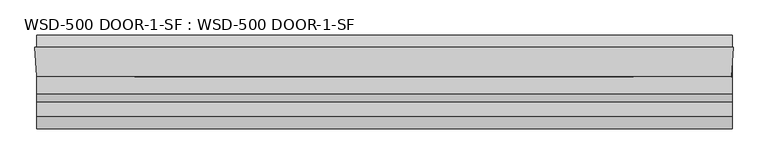
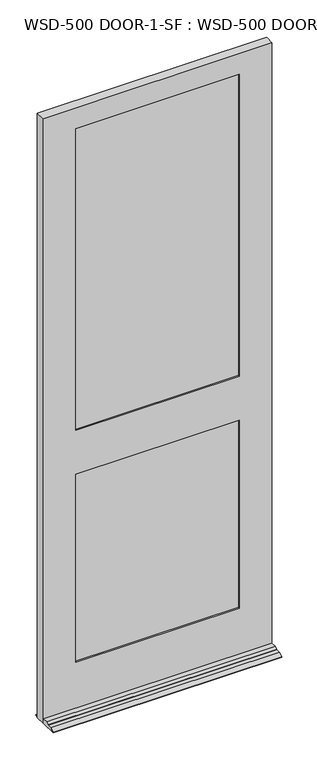
"""IFC4 building model written with IfcOpenShell, lengths in millimetres: plate geometry, WSD-500 DOOR-1-SF : WSD-500 DOOR-1-SF."""

from ifc_helpers import new_model, si_unit, frame, origin, place, context, project, spatial, polyline, outline, extrude, faceted_brep, source, transform, mapped, element, save


def wsd_500_door_1_sf_wsd_500_door_1_sf_6e8bb1aa(model_context):
    return source(origin(), model_context, "Body", "SolidModel", [
        faceted_brep([(528.7563901, 1.8752528, 0.0), (530.1603327, 1.8752528, 0.0), (528.7563901, -20.6651106, 0.0), (528.7563901, -121.9497472, 0.0), (-533.8064, -121.9497472, 0.0), (-533.8064, -42.5747472, 0.0), (-536.575, 1.8752528, 0.0), (-533.8064, 1.8752528, 0.0), (-533.8064, 20.9252528, 0.0), (528.7563901, 20.9252528, 0.0), (528.7563901, -35.1325472, 226.2251), (528.7563901, -35.1325472, 246.0625), (528.7563901, -42.5747472, 246.0625), (528.7563901, -42.5747472, 21.4376), (528.7563901, -68.4446472, 21.4376), (528.7563901, -80.8652472, 14.2748), (528.7563901, -80.8652472, 12.7), (528.7563901, -102.8997472, 12.7), (528.7563901, -121.9497472, 3.175), (528.7563901, -20.6651106, 226.2251), (528.7563901, 20.9252528, 3.175), (528.7563901, 1.8752528, 12.7), (-533.8064, 1.8752528, 12.7), (-533.8064, 20.9252528, 3.175), (-533.8064, -121.9497472, 3.175), (-533.8064, -102.8997472, 12.7), (-533.8064, -80.8652472, 12.7), (-533.8064, -80.8652472, 14.2748), (-533.8064, -68.4446472, 21.4376), (-533.8064, -42.5747472, 21.4376), (530.1603327, 1.8752528, 2971.7168046), (-536.575, 1.8752528, 2971.7168046), (-384.175, 1.8752528, 1169.9748), (-384.175, 1.8752528, 246.0625), (377.7603327, 1.8752528, 246.0625), (377.7603327, 1.8752528, 1169.9748), (377.7603327, 1.8752528, 2870.1168046), (-384.175, 1.8752528, 2870.1168046), (-384.175, 1.8752528, 1385.8748), (377.7603327, 1.8752528, 1385.8748), (377.7603327, -9.7325472, 2870.1168046), (-384.175, -9.7325472, 2870.1168046), (397.5977327, -9.7325472, 1189.8249), (-404.0124, -9.7325472, 1189.8249), (-404.0124, -9.7325472, 226.2251), (397.5977327, -9.7325472, 226.2251), (-384.175, -9.7325472, 1169.9748), (377.7603327, -9.7325472, 1169.9748), (377.7603327, -9.7325472, 246.0625), (-384.175, -9.7325472, 246.0625), (397.5977327, -9.7325472, 2890.0374), (-404.0124, -9.7325472, 2890.0374), (-404.0124, -9.7325472, 1366.0374), (397.5977327, -9.7325472, 1366.0374), (377.7603327, -9.7325472, 1385.8748), (-384.175, -9.7325472, 1385.8748), (397.5977327, -35.1325472, 2890.0374), (-404.0124, -35.1325472, 2890.0374), (527.8552755, -35.1325472, 226.2251), (527.8552755, -35.1325472, 246.0625), (-404.0124, -35.1325472, 1189.8249), (397.5977327, -35.1325472, 1189.8249), (397.5977327, -35.1325472, 226.2251), (-404.0124, -35.1325472, 226.2251), (377.7603327, -35.1325472, 1169.9748), (-384.175, -35.1325472, 1169.9748), (-384.175, -35.1325472, 246.0625), (377.7603327, -35.1325472, 246.0625), (397.5977327, -35.1325472, 1366.0374), (-404.0124, -35.1325472, 1366.0374), (377.7603327, -35.1325472, 2870.1168046), (-384.175, -35.1325472, 2870.1168046), (-384.175, -35.1325472, 1385.8748), (377.7603327, -35.1325472, 1385.8748), (377.7603327, -42.5747472, 2870.1168046), (-384.175, -42.5747472, 2870.1168046), (527.3917327, -42.5747472, 2971.7168046), (-533.8064, -42.5747472, 2971.7168046), (527.3917327, -42.5747472, 246.0625), (377.7603327, -42.5747472, 1169.9748), (377.7603327, -42.5747472, 246.0625), (-384.175, -42.5747472, 246.0625), (-384.175, -42.5747472, 1169.9748), (377.7603327, -42.5747472, 1385.8748), (-384.175, -42.5747472, 1385.8748)], [[[0, 1, 2, 3, 4, 5, 6, 7, 8, 9]], [[10, 11, 12, 13, 14, 15, 16, 17, 18, 3, 2, 19]], [[9, 20, 21, 0]], [[22, 23, 8, 7]], [[4, 24, 25, 26, 27, 28, 29, 5]], [[30, 1, 0, 21, 22, 7, 6, 31], [32, 33, 34, 35], [36, 37, 38, 39]], [[36, 40, 41, 37]], [[42, 43, 44, 45], [46, 47, 48, 49]], [[50, 51, 52, 53], [41, 40, 54, 55]], [[50, 56, 57, 51]], [[11, 10, 58, 59]], [[60, 61, 62, 63], [64, 65, 66, 67]], [[57, 56, 68, 69], [70, 71, 72, 73]], [[70, 74, 75, 71]], [[76, 77, 29, 13, 12, 78], [79, 80, 81, 82], [75, 74, 83, 84]], [[76, 30, 31, 77]], [[56, 50, 53, 68]], [[62, 61, 42, 45]], [[74, 70, 73, 83]], [[79, 64, 67, 80]], [[30, 76, 78, 59, 58, 19, 2, 1]], [[40, 36, 39, 54]], [[47, 35, 34, 48]], [[29, 77, 31, 6, 5]], [[71, 75, 84, 72]], [[65, 82, 81, 66]], [[44, 43, 60, 63]], [[51, 57, 69, 52]], [[37, 41, 55, 38]], [[32, 46, 49, 33]], [[39, 38, 55, 54]], [[68, 53, 52, 69]], [[73, 72, 84, 83]], [[65, 64, 79, 82]], [[42, 61, 60, 43]], [[32, 35, 47, 46]], [[10, 19, 58]], [[63, 62, 45, 44]], [[12, 11, 59, 78]], [[67, 66, 81, 80]], [[14, 13, 29, 28]], [[15, 14, 28, 27]], [[16, 15, 27, 26]], [[17, 16, 26, 25]], [[18, 17, 25, 24]], [[3, 18, 24, 4]], [[20, 9, 8, 23]], [[22, 21, 20, 23]], [[34, 33, 49, 48]]]),
        extrude(outline(polyline([(-402.1162802, -9.7325472), (396.9838756, -9.7325472), (396.9838756, -14.8125472), (-402.1162802, -14.8125472), (-402.1162802, -9.7325472)])), frame((0.0, 0.0, 1366.0374), z_axis=(0.0, 0.0, 1.0), x_axis=(1.0, 0.0, 0.0)), (0.0, 0.0, 1.0), 1524.0),
        extrude(outline(polyline([(396.9838756, -24.2105472), (396.9838756, -29.2905472), (-402.1162802, -29.2905472), (-402.1162802, -24.2105472), (396.9838756, -24.2105472)])), frame((0.0, 0.0, 1366.0374), z_axis=(0.0, 0.0, 1.0), x_axis=(1.0, 0.0, 0.0)), (0.0, 0.0, 1.0), 1524.0),
        extrude(outline(polyline([(-402.1162802, -30.0525472), (396.9838756, -30.0525472), (396.9838756, -35.1325472), (-402.1162802, -35.1325472), (-402.1162802, -30.0525472)])), frame((0.0, 0.0, 1366.0374), z_axis=(0.0, 0.0, 1.0), x_axis=(1.0, 0.0, 0.0)), (0.0, 0.0, 1.0), 1524.0),
        extrude(outline(polyline([(-404.0124, -9.7325472), (397.5977327, -9.7325472), (397.5977327, -14.8125472), (-404.0124, -14.8125472), (-404.0124, -9.7325472)])), frame((0.0, 0.0, 226.21875), z_axis=(0.0, 0.0, 1.0), x_axis=(1.0, 0.0, 0.0)), (0.0, 0.0, 1.0), 963.60615),
        extrude(outline(polyline([(397.5977327, -24.2105472), (397.5977327, -29.2905472), (-404.0124, -29.2905472), (-404.0124, -24.2105472), (397.5977327, -24.2105472)])), frame((0.0, 0.0, 226.21875), z_axis=(0.0, 0.0, 1.0), x_axis=(1.0, 0.0, 0.0)), (0.0, 0.0, 1.0), 963.60615),
        extrude(outline(polyline([(-404.0124, -30.0525472), (397.5977327, -30.0525472), (397.5977327, -35.1325472), (-404.0124, -35.1325472), (-404.0124, -30.0525472)])), frame((0.0, 0.0, 226.21875), z_axis=(0.0, 0.0, 1.0), x_axis=(1.0, 0.0, 0.0)), (0.0, 0.0, 1.0), 963.60615),
    ])


if __name__ == "__main__":
    model = new_model("IFC4")
    model_context = context("Model", 3, world=origin())
    ifc_project = project(units=[si_unit("LENGTHUNIT", "METRE", prefix="MILLI")], contexts=[model_context])
    site = spatial("IfcSite", under=ifc_project)
    building = spatial("IfcBuilding", under=site)
    placement = place(None, origin())
    wsd_500_door_1_sf_wsd_500_door_1_sf_shape = wsd_500_door_1_sf_wsd_500_door_1_sf_6e8bb1aa(model_context)
    element("IfcPlate", 1, ObjectType="WSD-500 DOOR-1-SF : WSD-500 DOOR-1-SF", at=placement, inside=building, context=model_context, shape_type="MappedRepresentation", body=[
        mapped(wsd_500_door_1_sf_wsd_500_door_1_sf_shape, transform((0.0, 0.0, 0.0), x_axis=(1.0, 0.0, 0.0), y_axis=(0.0, 1.0, 0.0), z_axis=(0.0, 0.0, 1.0))),
    ])
    save(model, "model.ifc")
